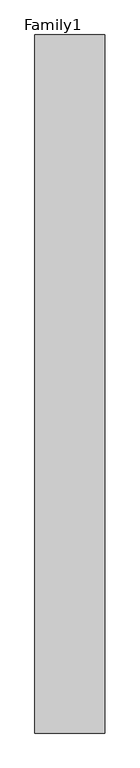
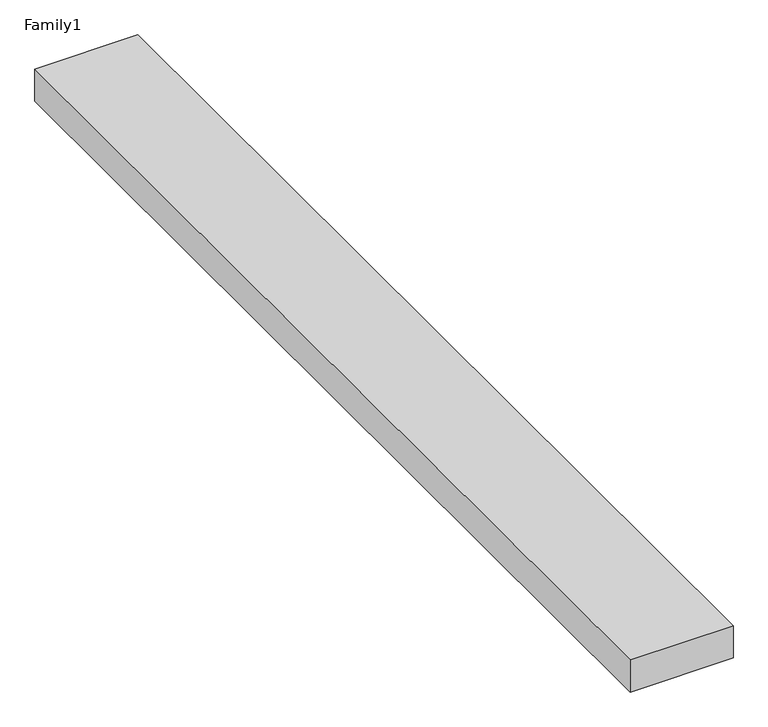
"""IFC4 building model written with IfcOpenShell, lengths in millimetres: proxy geometry, Family1."""

from ifc_helpers import new_model, si_unit, origin, origin_with_axes, place, context, project, spatial, polyline, outline, extrude, source, transform, mapped, element, save


def family1_b8b6679d(model_context):
    return source(origin(), model_context, "Body", "SweptSolid", [
        extrude(outline(polyline([(5000.0, 0.0), (0.0, 0.0), (0.0, 50000.0), (5000.0, 50000.0), (5000.0, 0.0)])), origin_with_axes(), (0.0, 0.0, 1.0), 1654.0),
    ])


if __name__ == "__main__":
    model = new_model("IFC4")
    model_context = context("Model", 3, world=origin())
    ifc_project = project(units=[si_unit("LENGTHUNIT", "METRE", prefix="MILLI")], contexts=[model_context])
    site = spatial("IfcSite", under=ifc_project)
    building = spatial("IfcBuilding", under=site)
    placement = place(None, origin())
    family1_shape = family1_b8b6679d(model_context)
    element("IfcBuildingElementProxy", 1, Name="Family1", ObjectType="Family1", at=placement, inside=building, context=model_context, shape_type="MappedRepresentation", body=[
        mapped(family1_shape, transform((0.0, 0.0, 0.0), x_axis=(1.0, 0.0, 0.0), y_axis=(0.0, 1.0, 0.0), z_axis=(0.0, 0.0, 1.0))),
    ])
    save(model, "model.ifc")
